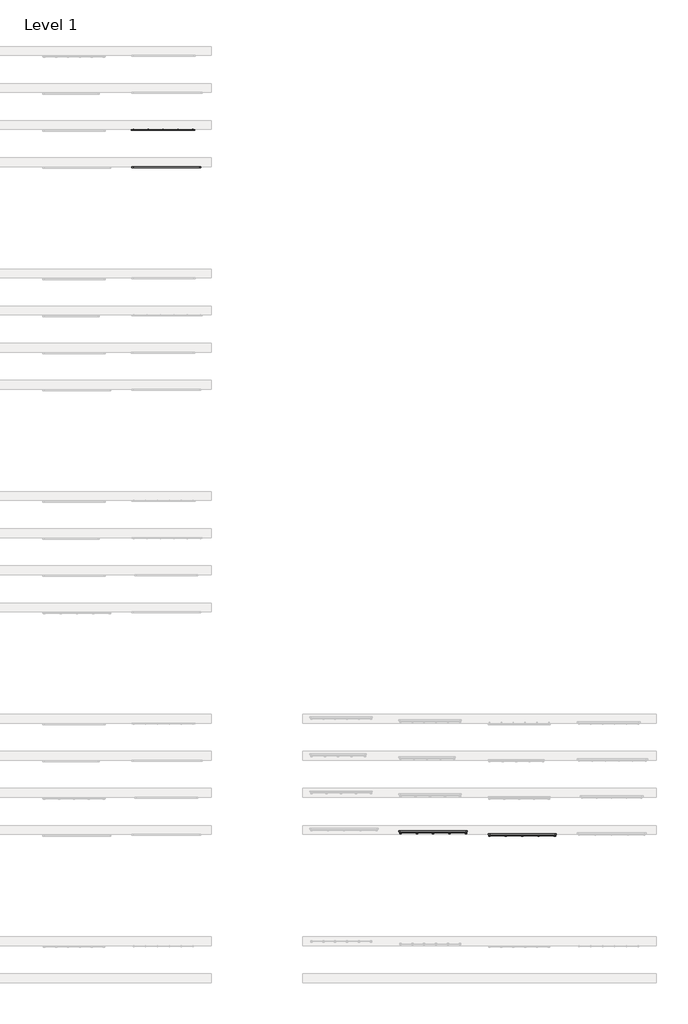
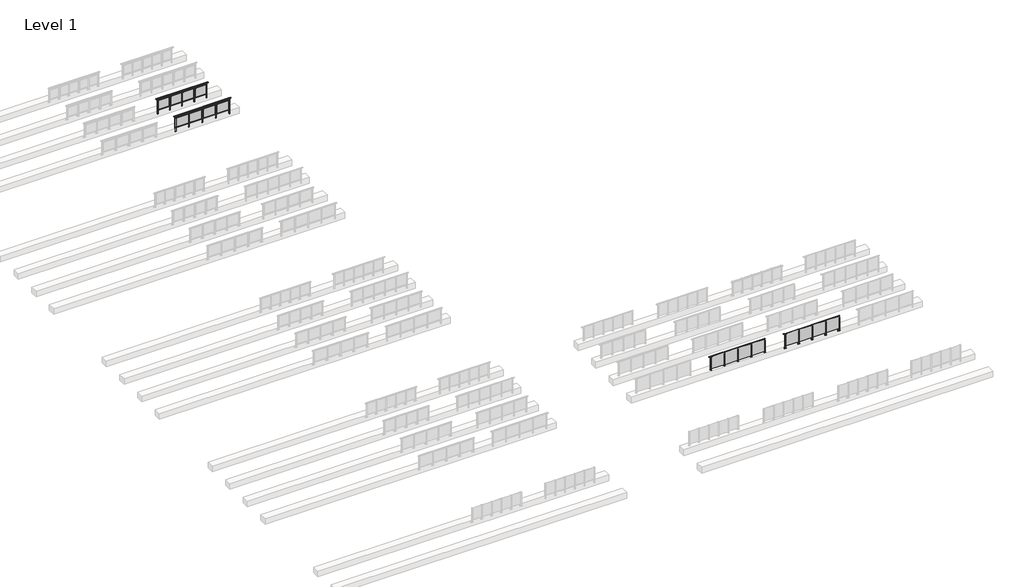
# One storey, part 31 of 37: 4 railings.
"""IFC4 building model written with IfcOpenShell, lengths in millimetres."""

import ifcopenshell
import ifcopenshell.guid

model = None  # the IFC model being written
_history = None  # IfcOwnerHistory: only IFC2X3 demands one
_inside = {}  # id of a spatial element -> (the spatial element, [elements in it])
_under = {}  # id of a project, library or spatial element -> (it, [spatial elements below it])
_declared = {}  # id of a project -> (the project, [libraries it declares])
_typed = {}  # id of a type object -> (the type object, [elements of that type])
_made_of = {}  # id of a material, layer set ... -> (it, [elements and type objects made of it])


def new_model(schema):
    """Start an empty IFC model of exactly this schema.

    Asked for "IFC4X3", IfcOpenShell would pick the latest addendum, in which some entities
    have other attributes; the version numbers below select the first issue.
    IFC2X3 requires an IfcOwnerHistory on every rooted entity: one is made here for all.
    """
    global model, _history
    if schema == "IFC4X3":
        model = ifcopenshell.file(schema_version=(4, 3, 0, 0))
    else:
        model = ifcopenshell.file(schema=schema)
    _inside.clear()
    _under.clear()
    _declared.clear()
    _typed.clear()
    _made_of.clear()
    _history = None
    if model.schema == "IFC2X3":
        org = make("IfcOrganization", Name="unknown")
        user = make(
            "IfcPersonAndOrganization",
            ThePerson=make("IfcPerson", FamilyName="unknown"),
            TheOrganization=org,
        )
        app = make(
            "IfcApplication",
            ApplicationDeveloper=org,
            Version="unknown",
            ApplicationFullName="unknown",
            ApplicationIdentifier="unknown",
        )
        _history = make(
            "IfcOwnerHistory",
            OwningUser=user,
            OwningApplication=app,
            ChangeAction="ADDED",
            CreationDate=0,
        )
    return model


def make(cls, **values):
    """One entity of the class cls with the attributes given. An attribute that is None is left unset."""
    return model.create_entity(
        cls, **{name: value for name, value in values.items() if value is not None}
    )


def rooted(cls, **values):
    """An entity with a GlobalId (a new one), such as an element, a storey or a relation."""
    return make(cls, GlobalId=ifcopenshell.guid.new(), OwnerHistory=_history, **values)


def si_unit(unit_type, name, prefix=None):
    """IfcSIUnit, for example si_unit("LENGTHUNIT", "METRE", prefix="MILLI")."""
    return make("IfcSIUnit", UnitType=unit_type, Prefix=prefix, Name=name)


def assignment(units):
    """IfcUnitAssignment: the units of a project."""
    return None if units is None else make("IfcUnitAssignment", Units=units)


def point(xyz):
    """IfcCartesianPoint."""
    return None if xyz is None else make("IfcCartesianPoint", Coordinates=xyz)


def direction(xyz):
    """IfcDirection."""
    return None if xyz is None else make("IfcDirection", DirectionRatios=xyz)


def frame(location, z_axis=None, x_axis=None):
    """IfcAxis2Placement3D, a coordinate frame: its origin and axes. An axis left out is left unset."""
    return make(
        "IfcAxis2Placement3D",
        Location=point(location),
        Axis=direction(z_axis),
        RefDirection=direction(x_axis),
    )


def frame_2d(location, x_axis=None):
    """IfcAxis2Placement2D, a coordinate frame in the plane: its origin and x axis."""
    return make(
        "IfcAxis2Placement2D", Location=point(location), RefDirection=direction(x_axis)
    )


def origin():
    """The frame at (0, 0, 0) with its axes left unset."""
    return frame((0.0, 0.0, 0.0))


def origin_with_axes():
    """The frame at (0, 0, 0) with the z axis (0, 0, 1) and the x axis (1, 0, 0) written out."""
    return frame((0.0, 0.0, 0.0), z_axis=(0.0, 0.0, 1.0), x_axis=(1.0, 0.0, 0.0))


def place(relative_to, where):
    """IfcLocalPlacement: puts the frame where relative to a parent placement (None: the world)."""
    return make(
        "IfcLocalPlacement", PlacementRelTo=relative_to, RelativePlacement=where
    )


def context(
    kind, dimensions, precision=None, world=None, true_north=None, identifier=None
):
    """IfcGeometricRepresentationContext, for example the 3D "Model" context."""
    return make(
        "IfcGeometricRepresentationContext",
        ContextIdentifier=identifier,
        ContextType=kind,
        CoordinateSpaceDimension=dimensions,
        Precision=precision,
        WorldCoordinateSystem=world,
        TrueNorth=true_north,
    )


def project(units=None, contexts=None):
    """IfcProject with its units and contexts."""
    return rooted(
        "IfcProject",
        Name="project",
        RepresentationContexts=contexts,
        UnitsInContext=assignment(units),
    )


def spatial(cls, under=None, at=None, **own):
    """A site, building, storey or space (cls), placed at a placement, below another one or the project."""
    s = rooted(cls, ObjectPlacement=at, **own)
    if under is not None:
        _under.setdefault(under.id(), (under, []))[1].append(s)
    return s


def polyline(points):
    """IfcPolyline through the points."""
    return make("IfcPolyline", Points=[point(p) for p in points])


def circle_curve(where, radius):
    """IfcCircle in the frame where."""
    return make("IfcCircle", Position=where, Radius=radius)


def trimmed(basis, trim1, trim2, sense, master):
    """IfcTrimmedCurve: the piece of a basis curve between two trims."""
    return make(
        "IfcTrimmedCurve",
        BasisCurve=basis,
        Trim1=trim1,
        Trim2=trim2,
        SenseAgreement=sense,
        MasterRepresentation=master,
    )


def segment(curve, same_sense, transition):
    """IfcCompositeCurveSegment."""
    return make(
        "IfcCompositeCurveSegment",
        Transition=transition,
        SameSense=same_sense,
        ParentCurve=curve,
    )


def composite_curve(segments, self_intersect=None):
    """IfcCompositeCurve: segments joined end to end."""
    return make("IfcCompositeCurve", Segments=segments, SelfIntersect=self_intersect)


def outline(outer, holes=None, kind="AREA"):
    """IfcArbitraryClosedProfileDef: a profile drawn as a closed curve; with holes, ...WithVoids."""
    if holes is None:
        return make("IfcArbitraryClosedProfileDef", ProfileType=kind, OuterCurve=outer)
    return make(
        "IfcArbitraryProfileDefWithVoids",
        ProfileType=kind,
        OuterCurve=outer,
        InnerCurves=holes,
    )


def extrude(swept, where, along, depth):
    """IfcExtrudedAreaSolid: the profile swept, set in the frame where, extruded along a direction by depth."""
    return make(
        "IfcExtrudedAreaSolid",
        SweptArea=swept,
        Position=where,
        ExtrudedDirection=direction(along),
        Depth=depth,
    )


def faces_of(points, faces, orient=None, outer=None):
    """IfcFace entities. A face is a list of loops; a loop is a list of indices into points, from 0.

    orient and outer hold one flag for each loop. By default every Orientation is true, the
    first loop of a face is its IfcFaceOuterBound and the others are IfcFaceBound.
    """
    made = []
    for i, loops in enumerate(faces):
        bounds = []
        for j, loop in enumerate(loops):
            is_outer = j == 0 if outer is None else outer[i][j]
            bounds.append(
                make(
                    "IfcFaceOuterBound" if is_outer else "IfcFaceBound",
                    Bound=make("IfcPolyLoop", Polygon=[points[k] for k in loop]),
                    Orientation=True if orient is None else orient[i][j],
                )
            )
        made.append(make("IfcFace", Bounds=bounds))
    return made


def faceted_brep(points, faces, orient=None, outer=None, voids=None):
    """IfcFacetedBrep: a solid bounded by flat faces; with voids (closed shells), ...WithVoids."""
    shared = [point(p) for p in points]
    hull = make("IfcClosedShell", CfsFaces=faces_of(shared, faces, orient, outer))
    if voids is None:
        return make("IfcFacetedBrep", Outer=hull)
    return make(
        "IfcFacetedBrepWithVoids",
        Outer=hull,
        Voids=[
            make(cls, CfsFaces=faces_of(shared, fs, o, b)) for cls, fs, o, b in voids
        ],
    )


def shape(context_of_items, identifier, shape_type, items):
    """IfcShapeRepresentation: the items that make up one representation, for example the "Body"."""
    return make(
        "IfcShapeRepresentation",
        ContextOfItems=context_of_items,
        RepresentationIdentifier=identifier,
        RepresentationType=shape_type,
        Items=items,
    )


def made_of(thing, what):
    """Note that an element or type object is made of a material, layer set ...; save() writes the relation."""
    if what is not None:
        _made_of.setdefault(what.id(), (what, []))[1].append(thing)
    return thing


def element(
    cls,
    number,
    at=None,
    inside=None,
    cuts=None,
    type_object=None,
    material=None,
    context=None,
    identifier="Body",
    shape_type=None,
    held_by="IfcProductDefinitionShape",
    body=None,
    shapes=None,
    **own,
):
    """One element of the class cls, such as IfcWall. Its Tag is "e" and its number.

    at: its placement. inside: the storey or other place that contains it. cuts: it is an
    opening in that element (IfcRelVoidsElement). A single representation is given by context,
    identifier, shape_type and body (its items); several are given by shapes. held_by: the class
    of the entity that holds the representations. save() writes the other relations.
    """
    e = rooted(cls, Tag="e%d" % number, ObjectPlacement=at, **own)
    if body is not None:
        shapes = [shape(context, identifier, shape_type, body)]
    if shapes is not None:
        e.Representation = make(held_by, Representations=shapes)
    if inside is not None:
        _inside.setdefault(inside.id(), (inside, []))[1].append(e)
    if cuts is not None:
        rooted(
            "IfcRelVoidsElement", RelatingBuildingElement=cuts, RelatedOpeningElement=e
        )
    if type_object is not None:
        _typed.setdefault(type_object.id(), (type_object, []))[1].append(e)
    return made_of(e, material)


def aggregate(whole, parts):
    """IfcRelAggregates: a whole, such as a stair, and the parts it consists of."""
    return rooted("IfcRelAggregates", RelatingObject=whole, RelatedObjects=parts)


def save(model, path):
    """Write the relations noted so far, then the file.

    IfcRelAggregates (storeys below a building ...), IfcRelContainedInSpatialStructure (elements
    in a storey), IfcRelDefinesByType, IfcRelAssociatesMaterial and IfcRelDeclares: one each for
    every whole, place, type object, material and project.
    """
    for whole, parts in _under.values():
        aggregate(whole, parts)
    for where, things in _inside.values():
        rooted(
            "IfcRelContainedInSpatialStructure",
            RelatedElements=things,
            RelatingStructure=where,
        )
    for kind, things in _typed.values():
        rooted("IfcRelDefinesByType", RelatedObjects=things, RelatingType=kind)
    for what, things in _made_of.values():
        rooted("IfcRelAssociatesMaterial", RelatedObjects=things, RelatingMaterial=what)
    for by, libraries in _declared.values():
        rooted("IfcRelDeclares", RelatingContext=by, RelatedDefinitions=libraries)
    model.write(path)


model = new_model("IFC4")

# Units and contexts
model_context = context("Model", 3, world=origin())
ifc_project = project(units=[si_unit("LENGTHUNIT", "METRE", prefix="MILLI")], contexts=[model_context])

# Site, building, storey
site = spatial("IfcSite", under=ifc_project)
building = spatial("IfcBuilding", under=site)
storey = spatial("IfcBuildingStorey", under=building, Name="Level 1", Elevation=0.0)

# Railings
placement = place(None, origin())
element("IfcRailing", 1, at=placement, inside=storey, context=model_context, shape_type="SolidModel", body=[
    faceted_brep([(48027.0, 59897.6846828, 1055.0), (48027.0, 59897.6846828, 1100.0), (52427.0, 59897.6846828, 1100.0), (52427.0, 59897.6846828, 1055.0), (48027.0, 59837.6846828, 1055.0), (52427.0, 59837.6846828, 1055.0), (48027.0, 59837.6846828, 1100.0), (52427.0, 59837.6846828, 1100.0), (47899.5, 59897.6846828, 1100.0), (47899.5, 59897.6846828, 1055.0), (47899.5, 59837.6846828, 1055.0), (47899.5, 59837.6846828, 1100.0), (52554.5, 59897.6846828, 1100.0), (52554.5, 59837.6846828, 1100.0), (52554.5, 59837.6846828, 1055.0), (52554.5, 59897.6846828, 1055.0)], [[[0, 1, 2, 3]], [[4, 0, 3, 5]], [[6, 4, 5, 7]], [[1, 6, 7, 2]], [[8, 9, 10, 11]], [[9, 8, 1, 0]], [[10, 9, 0, 4]], [[11, 10, 4, 6]], [[8, 11, 6, 1]], [[12, 13, 14, 15]], [[3, 2, 12, 15]], [[5, 3, 15, 14]], [[7, 5, 14, 13]], [[2, 7, 13, 12]]]),
    extrude(outline(polyline([(48027.0, 59850.1846828), (48027.0, 59885.1846828), (52427.0, 59885.1846828), (52427.0, 59850.1846828), (48027.0, 59850.1846828)])), frame((0.0, 0.0, 930.0), z_axis=(0.0, 0.0, 1.0), x_axis=(1.0, 0.0, 0.0)), (0.0, 0.0, 1.0), 30.0),
    extrude(outline(polyline([(48027.0, 59850.1846828), (48027.0, 59885.1846828), (52427.0, 59885.1846828), (52427.0, 59850.1846828), (48027.0, 59850.1846828)])), frame((0.0, 0.0, 95.0), z_axis=(0.0, 0.0, 1.0), x_axis=(1.0, 0.0, 0.0)), (0.0, 0.0, 1.0), 30.0),
    extrude(outline(polyline([(51399.5, 59865.9094929), (51399.5, 59871.9094929), (52354.5, 59871.9094929), (52354.5, 59865.9094929), (51399.5, 59865.9094929)])), frame((0.0, 0.0, 125.0), z_axis=(0.0, 0.0, 1.0), x_axis=(1.0, 0.0, 0.0)), (0.0, 0.0, 1.0), 805.0),
    extrude(outline(polyline([(51349.5, 59900.1846828), (51349.5, 59835.1846828), (51304.5, 59835.1846828), (51304.5, 59900.1846828), (51349.5, 59900.1846828)])), frame((0.0, 0.0, 1027.0), z_axis=(0.0, 0.0, 1.0), x_axis=(1.0, 0.0, 0.0)), (0.0, 0.0, 1.0), 8.0),
    extrude(outline(polyline([(51349.5, 59900.1846828), (51349.5, 59835.1846828), (51304.5, 59835.1846828), (51304.5, 59900.1846828), (51349.5, 59900.1846828)])), frame((0.0, 0.0, -212.0), z_axis=(0.0, 0.0, 1.0), x_axis=(1.0, 0.0, 0.0)), (0.0, 0.0, 1.0), 1239.0),
    extrude(outline(polyline([(51337.0, 59877.6846828), (51337.0, 59857.6846828), (51317.0, 59857.6846828), (51317.0, 59877.6846828), (51337.0, 59877.6846828)])), frame((0.0, 0.0, 1035.0), z_axis=(0.0, 0.0, 1.0), x_axis=(1.0, 0.0, 0.0)), (0.0, 0.0, 1.0), 20.0),
    extrude(outline(polyline([(51349.5, 59900.1846828), (51349.5, 59835.1846828), (51304.5, 59835.1846828), (51304.5, 59900.1846828), (51349.5, 59900.1846828)])), frame((0.0, 0.0, -220.0), z_axis=(0.0, 0.0, 1.0), x_axis=(1.0, 0.0, 0.0)), (0.0, 0.0, 1.0), 8.0),
    extrude(outline(polyline([(50299.5, 59865.9094929), (50299.5, 59871.9094929), (51254.5, 59871.9094929), (51254.5, 59865.9094929), (50299.5, 59865.9094929)])), frame((0.0, 0.0, 125.0), z_axis=(0.0, 0.0, 1.0), x_axis=(1.0, 0.0, 0.0)), (0.0, 0.0, 1.0), 805.0),
    extrude(outline(polyline([(50249.5, 59900.1846828), (50249.5, 59835.1846828), (50204.5, 59835.1846828), (50204.5, 59900.1846828), (50249.5, 59900.1846828)])), frame((0.0, 0.0, 1027.0), z_axis=(0.0, 0.0, 1.0), x_axis=(1.0, 0.0, 0.0)), (0.0, 0.0, 1.0), 8.0),
    extrude(outline(polyline([(50249.5, 59900.1846828), (50249.5, 59835.1846828), (50204.5, 59835.1846828), (50204.5, 59900.1846828), (50249.5, 59900.1846828)])), frame((0.0, 0.0, -212.0), z_axis=(0.0, 0.0, 1.0), x_axis=(1.0, 0.0, 0.0)), (0.0, 0.0, 1.0), 1239.0),
    extrude(outline(polyline([(50237.0, 59877.6846828), (50237.0, 59857.6846828), (50217.0, 59857.6846828), (50217.0, 59877.6846828), (50237.0, 59877.6846828)])), frame((0.0, 0.0, 1035.0), z_axis=(0.0, 0.0, 1.0), x_axis=(1.0, 0.0, 0.0)), (0.0, 0.0, 1.0), 20.0),
    extrude(outline(polyline([(50249.5, 59900.1846828), (50249.5, 59835.1846828), (50204.5, 59835.1846828), (50204.5, 59900.1846828), (50249.5, 59900.1846828)])), frame((0.0, 0.0, -220.0), z_axis=(0.0, 0.0, 1.0), x_axis=(1.0, 0.0, 0.0)), (0.0, 0.0, 1.0), 8.0),
    extrude(outline(polyline([(49199.5, 59865.9094929), (49199.5, 59871.9094929), (50154.5, 59871.9094929), (50154.5, 59865.9094929), (49199.5, 59865.9094929)])), frame((0.0, 0.0, 125.0), z_axis=(0.0, 0.0, 1.0), x_axis=(1.0, 0.0, 0.0)), (0.0, 0.0, 1.0), 805.0),
    extrude(outline(polyline([(49149.5, 59900.1846828), (49149.5, 59835.1846828), (49104.5, 59835.1846828), (49104.5, 59900.1846828), (49149.5, 59900.1846828)])), frame((0.0, 0.0, 1027.0), z_axis=(0.0, 0.0, 1.0), x_axis=(1.0, 0.0, 0.0)), (0.0, 0.0, 1.0), 8.0),
    extrude(outline(polyline([(49149.5, 59900.1846828), (49149.5, 59835.1846828), (49104.5, 59835.1846828), (49104.5, 59900.1846828), (49149.5, 59900.1846828)])), frame((0.0, 0.0, -212.0), z_axis=(0.0, 0.0, 1.0), x_axis=(1.0, 0.0, 0.0)), (0.0, 0.0, 1.0), 1239.0),
    extrude(outline(polyline([(49137.0, 59877.6846828), (49137.0, 59857.6846828), (49117.0, 59857.6846828), (49117.0, 59877.6846828), (49137.0, 59877.6846828)])), frame((0.0, 0.0, 1035.0), z_axis=(0.0, 0.0, 1.0), x_axis=(1.0, 0.0, 0.0)), (0.0, 0.0, 1.0), 20.0),
    extrude(outline(polyline([(49149.5, 59900.1846828), (49149.5, 59835.1846828), (49104.5, 59835.1846828), (49104.5, 59900.1846828), (49149.5, 59900.1846828)])), frame((0.0, 0.0, -220.0), z_axis=(0.0, 0.0, 1.0), x_axis=(1.0, 0.0, 0.0)), (0.0, 0.0, 1.0), 8.0),
    extrude(outline(polyline([(48099.5, 59865.9094929), (48099.5, 59871.9094929), (49054.5, 59871.9094929), (49054.5, 59865.9094929), (48099.5, 59865.9094929)])), frame((0.0, 0.0, 125.0), z_axis=(0.0, 0.0, 1.0), x_axis=(1.0, 0.0, 0.0)), (0.0, 0.0, 1.0), 805.0),
    extrude(outline(polyline([(52449.5, 59900.1846828), (52449.5, 59835.1846828), (52404.5, 59835.1846828), (52404.5, 59900.1846828), (52449.5, 59900.1846828)])), frame((0.0, 0.0, 1027.0), z_axis=(0.0, 0.0, 1.0), x_axis=(1.0, 0.0, 0.0)), (0.0, 0.0, 1.0), 8.0),
    extrude(outline(polyline([(52449.5, 59900.1846828), (52449.5, 59835.1846828), (52404.5, 59835.1846828), (52404.5, 59900.1846828), (52449.5, 59900.1846828)])), frame((0.0, 0.0, -212.0), z_axis=(0.0, 0.0, 1.0), x_axis=(1.0, 0.0, 0.0)), (0.0, 0.0, 1.0), 1239.0),
    extrude(outline(polyline([(52437.0, 59877.6846828), (52437.0, 59857.6846828), (52417.0, 59857.6846828), (52417.0, 59877.6846828), (52437.0, 59877.6846828)])), frame((0.0, 0.0, 1035.0), z_axis=(0.0, 0.0, 1.0), x_axis=(1.0, 0.0, 0.0)), (0.0, 0.0, 1.0), 20.0),
    extrude(outline(polyline([(52449.5, 59900.1846828), (52449.5, 59835.1846828), (52404.5, 59835.1846828), (52404.5, 59900.1846828), (52449.5, 59900.1846828)])), frame((0.0, 0.0, -220.0), z_axis=(0.0, 0.0, 1.0), x_axis=(1.0, 0.0, 0.0)), (0.0, 0.0, 1.0), 8.0),
    extrude(outline(polyline([(48049.5, 59900.1846828), (48049.5, 59835.1846828), (48004.5, 59835.1846828), (48004.5, 59900.1846828), (48049.5, 59900.1846828)])), frame((0.0, 0.0, 1027.0), z_axis=(0.0, 0.0, 1.0), x_axis=(1.0, 0.0, 0.0)), (0.0, 0.0, 1.0), 8.0),
    extrude(outline(polyline([(48049.5, 59900.1846828), (48049.5, 59835.1846828), (48004.5, 59835.1846828), (48004.5, 59900.1846828), (48049.5, 59900.1846828)])), frame((0.0, 0.0, -212.0), z_axis=(0.0, 0.0, 1.0), x_axis=(1.0, 0.0, 0.0)), (0.0, 0.0, 1.0), 1239.0),
    extrude(outline(polyline([(48037.0, 59877.6846828), (48037.0, 59857.6846828), (48017.0, 59857.6846828), (48017.0, 59877.6846828), (48037.0, 59877.6846828)])), frame((0.0, 0.0, 1035.0), z_axis=(0.0, 0.0, 1.0), x_axis=(1.0, 0.0, 0.0)), (0.0, 0.0, 1.0), 20.0),
    extrude(outline(polyline([(48049.5, 59900.1846828), (48049.5, 59835.1846828), (48004.5, 59835.1846828), (48004.5, 59900.1846828), (48049.5, 59900.1846828)])), frame((0.0, 0.0, -220.0), z_axis=(0.0, 0.0, 1.0), x_axis=(1.0, 0.0, 0.0)), (0.0, 0.0, 1.0), 8.0),
])
element("IfcRailing", 2, at=placement, inside=storey, context=model_context, shape_type="SolidModel", body=[
    faceted_brep([(48000.0, 62397.6846828, 1055.0), (48000.0, 62397.6846828, 1100.0), (52000.0, 62397.6846828, 1100.0), (52000.0, 62397.6846828, 1055.0), (48000.0, 62337.6846828, 1055.0), (52000.0, 62337.6846828, 1055.0), (48000.0, 62337.6846828, 1100.0), (52000.0, 62337.6846828, 1100.0), (47872.5, 62397.6846828, 1100.0), (47872.5, 62397.6846828, 1055.0), (47872.5, 62337.6846828, 1055.0), (47872.5, 62337.6846828, 1100.0), (52127.5, 62397.6846828, 1100.0), (52127.5, 62337.6846828, 1100.0), (52127.5, 62337.6846828, 1055.0), (52127.5, 62397.6846828, 1055.0)], [[[0, 1, 2, 3]], [[4, 0, 3, 5]], [[6, 4, 5, 7]], [[1, 6, 7, 2]], [[8, 9, 10, 11]], [[9, 8, 1, 0]], [[10, 9, 0, 4]], [[11, 10, 4, 6]], [[8, 11, 6, 1]], [[12, 13, 14, 15]], [[3, 2, 12, 15]], [[5, 3, 15, 14]], [[7, 5, 14, 13]], [[2, 7, 13, 12]]]),
    extrude(outline(polyline([(48000.0, 62350.1846828), (48000.0, 62385.1846828), (52000.0, 62385.1846828), (52000.0, 62350.1846828), (48000.0, 62350.1846828)])), frame((0.0, 0.0, 930.0), z_axis=(0.0, 0.0, 1.0), x_axis=(1.0, 0.0, 0.0)), (0.0, 0.0, 1.0), 30.0),
    extrude(outline(polyline([(48000.0, 62350.1846828), (48000.0, 62385.1846828), (52000.0, 62385.1846828), (52000.0, 62350.1846828), (48000.0, 62350.1846828)])), frame((0.0, 0.0, 95.0), z_axis=(0.0, 0.0, 1.0), x_axis=(1.0, 0.0, 0.0)), (0.0, 0.0, 1.0), 30.0),
    extrude(outline(polyline([(51072.5, 62365.9094929), (51072.5, 62371.9094929), (51927.5, 62371.9094929), (51927.5, 62365.9094929), (51072.5, 62365.9094929)])), frame((0.0, 0.0, 125.0), z_axis=(0.0, 0.0, 1.0), x_axis=(1.0, 0.0, 0.0)), (0.0, 0.0, 1.0), 805.0),
    extrude(outline(polyline([(51022.5, 62400.1846828), (51022.5, 62335.1846828), (50977.5, 62335.1846828), (50977.5, 62400.1846828), (51022.5, 62400.1846828)])), frame((0.0, 0.0, 1027.0), z_axis=(0.0, 0.0, 1.0), x_axis=(1.0, 0.0, 0.0)), (0.0, 0.0, 1.0), 8.0),
    extrude(outline(polyline([(51022.5, 62400.1846828), (51022.5, 62335.1846828), (50977.5, 62335.1846828), (50977.5, 62400.1846828), (51022.5, 62400.1846828)])), frame((0.0, 0.0, -212.0), z_axis=(0.0, 0.0, 1.0), x_axis=(1.0, 0.0, 0.0)), (0.0, 0.0, 1.0), 1239.0),
    extrude(outline(polyline([(51010.0, 62377.6846828), (51010.0, 62357.6846828), (50990.0, 62357.6846828), (50990.0, 62377.6846828), (51010.0, 62377.6846828)])), frame((0.0, 0.0, 1035.0), z_axis=(0.0, 0.0, 1.0), x_axis=(1.0, 0.0, 0.0)), (0.0, 0.0, 1.0), 20.0),
    extrude(outline(polyline([(51022.5, 62400.1846828), (51022.5, 62335.1846828), (50977.5, 62335.1846828), (50977.5, 62400.1846828), (51022.5, 62400.1846828)])), frame((0.0, 0.0, -220.0), z_axis=(0.0, 0.0, 1.0), x_axis=(1.0, 0.0, 0.0)), (0.0, 0.0, 1.0), 8.0),
    extrude(outline(polyline([(50072.5, 62365.9094929), (50072.5, 62371.9094929), (50927.5, 62371.9094929), (50927.5, 62365.9094929), (50072.5, 62365.9094929)])), frame((0.0, 0.0, 125.0), z_axis=(0.0, 0.0, 1.0), x_axis=(1.0, 0.0, 0.0)), (0.0, 0.0, 1.0), 805.0),
    extrude(outline(polyline([(50022.5, 62400.1846828), (50022.5, 62335.1846828), (49977.5, 62335.1846828), (49977.5, 62400.1846828), (50022.5, 62400.1846828)])), frame((0.0, 0.0, 1027.0), z_axis=(0.0, 0.0, 1.0), x_axis=(1.0, 0.0, 0.0)), (0.0, 0.0, 1.0), 8.0),
    extrude(outline(polyline([(50022.5, 62400.1846828), (50022.5, 62335.1846828), (49977.5, 62335.1846828), (49977.5, 62400.1846828), (50022.5, 62400.1846828)])), frame((0.0, 0.0, -212.0), z_axis=(0.0, 0.0, 1.0), x_axis=(1.0, 0.0, 0.0)), (0.0, 0.0, 1.0), 1239.0),
    extrude(outline(polyline([(50010.0, 62377.6846828), (50010.0, 62357.6846828), (49990.0, 62357.6846828), (49990.0, 62377.6846828), (50010.0, 62377.6846828)])), frame((0.0, 0.0, 1035.0), z_axis=(0.0, 0.0, 1.0), x_axis=(1.0, 0.0, 0.0)), (0.0, 0.0, 1.0), 20.0),
    extrude(outline(polyline([(50022.5, 62400.1846828), (50022.5, 62335.1846828), (49977.5, 62335.1846828), (49977.5, 62400.1846828), (50022.5, 62400.1846828)])), frame((0.0, 0.0, -220.0), z_axis=(0.0, 0.0, 1.0), x_axis=(1.0, 0.0, 0.0)), (0.0, 0.0, 1.0), 8.0),
    extrude(outline(polyline([(49072.5, 62365.9094929), (49072.5, 62371.9094929), (49927.5, 62371.9094929), (49927.5, 62365.9094929), (49072.5, 62365.9094929)])), frame((0.0, 0.0, 125.0), z_axis=(0.0, 0.0, 1.0), x_axis=(1.0, 0.0, 0.0)), (0.0, 0.0, 1.0), 805.0),
    extrude(outline(polyline([(49022.5, 62400.1846828), (49022.5, 62335.1846828), (48977.5, 62335.1846828), (48977.5, 62400.1846828), (49022.5, 62400.1846828)])), frame((0.0, 0.0, 1027.0), z_axis=(0.0, 0.0, 1.0), x_axis=(1.0, 0.0, 0.0)), (0.0, 0.0, 1.0), 8.0),
    extrude(outline(polyline([(49022.5, 62400.1846828), (49022.5, 62335.1846828), (48977.5, 62335.1846828), (48977.5, 62400.1846828), (49022.5, 62400.1846828)])), frame((0.0, 0.0, -212.0), z_axis=(0.0, 0.0, 1.0), x_axis=(1.0, 0.0, 0.0)), (0.0, 0.0, 1.0), 1239.0),
    extrude(outline(polyline([(49010.0, 62377.6846828), (49010.0, 62357.6846828), (48990.0, 62357.6846828), (48990.0, 62377.6846828), (49010.0, 62377.6846828)])), frame((0.0, 0.0, 1035.0), z_axis=(0.0, 0.0, 1.0), x_axis=(1.0, 0.0, 0.0)), (0.0, 0.0, 1.0), 20.0),
    extrude(outline(polyline([(49022.5, 62400.1846828), (49022.5, 62335.1846828), (48977.5, 62335.1846828), (48977.5, 62400.1846828), (49022.5, 62400.1846828)])), frame((0.0, 0.0, -220.0), z_axis=(0.0, 0.0, 1.0), x_axis=(1.0, 0.0, 0.0)), (0.0, 0.0, 1.0), 8.0),
    extrude(outline(polyline([(48072.5, 62365.9094929), (48072.5, 62371.9094929), (48927.5, 62371.9094929), (48927.5, 62365.9094929), (48072.5, 62365.9094929)])), frame((0.0, 0.0, 125.0), z_axis=(0.0, 0.0, 1.0), x_axis=(1.0, 0.0, 0.0)), (0.0, 0.0, 1.0), 805.0),
    extrude(outline(polyline([(52022.5, 62400.1846828), (52022.5, 62335.1846828), (51977.5, 62335.1846828), (51977.5, 62400.1846828), (52022.5, 62400.1846828)])), frame((0.0, 0.0, 1027.0), z_axis=(0.0, 0.0, 1.0), x_axis=(1.0, 0.0, 0.0)), (0.0, 0.0, 1.0), 8.0),
    extrude(outline(polyline([(52022.5, 62400.1846828), (52022.5, 62335.1846828), (51977.5, 62335.1846828), (51977.5, 62400.1846828), (52022.5, 62400.1846828)])), frame((0.0, 0.0, -212.0), z_axis=(0.0, 0.0, 1.0), x_axis=(1.0, 0.0, 0.0)), (0.0, 0.0, 1.0), 1239.0),
    extrude(outline(polyline([(52010.0, 62377.6846828), (52010.0, 62357.6846828), (51990.0, 62357.6846828), (51990.0, 62377.6846828), (52010.0, 62377.6846828)])), frame((0.0, 0.0, 1035.0), z_axis=(0.0, 0.0, 1.0), x_axis=(1.0, 0.0, 0.0)), (0.0, 0.0, 1.0), 20.0),
    extrude(outline(polyline([(52022.5, 62400.1846828), (52022.5, 62335.1846828), (51977.5, 62335.1846828), (51977.5, 62400.1846828), (52022.5, 62400.1846828)])), frame((0.0, 0.0, -220.0), z_axis=(0.0, 0.0, 1.0), x_axis=(1.0, 0.0, 0.0)), (0.0, 0.0, 1.0), 8.0),
    extrude(outline(polyline([(48022.5, 62400.1846828), (48022.5, 62335.1846828), (47977.5, 62335.1846828), (47977.5, 62400.1846828), (48022.5, 62400.1846828)])), frame((0.0, 0.0, 1027.0), z_axis=(0.0, 0.0, 1.0), x_axis=(1.0, 0.0, 0.0)), (0.0, 0.0, 1.0), 8.0),
    extrude(outline(polyline([(48022.5, 62400.1846828), (48022.5, 62335.1846828), (47977.5, 62335.1846828), (47977.5, 62400.1846828), (48022.5, 62400.1846828)])), frame((0.0, 0.0, -212.0), z_axis=(0.0, 0.0, 1.0), x_axis=(1.0, 0.0, 0.0)), (0.0, 0.0, 1.0), 1239.0),
    extrude(outline(polyline([(48010.0, 62377.6846828), (48010.0, 62357.6846828), (47990.0, 62357.6846828), (47990.0, 62377.6846828), (48010.0, 62377.6846828)])), frame((0.0, 0.0, 1035.0), z_axis=(0.0, 0.0, 1.0), x_axis=(1.0, 0.0, 0.0)), (0.0, 0.0, 1.0), 20.0),
    extrude(outline(polyline([(48022.5, 62400.1846828), (48022.5, 62335.1846828), (47977.5, 62335.1846828), (47977.5, 62400.1846828), (48022.5, 62400.1846828)])), frame((0.0, 0.0, -220.0), z_axis=(0.0, 0.0, 1.0), x_axis=(1.0, 0.0, 0.0)), (0.0, 0.0, 1.0), 8.0),
])
element("IfcRailing", 3, at=placement, inside=storey, context=model_context, shape_type="SolidModel", body=[
    faceted_brep([(66000.0, 15125.6846828, 1085.0), (66000.0, 15125.6846828, 1100.0), (70400.0, 15125.6846828, 1100.0), (70400.0, 15125.6846828, 1085.0), (66000.0, 15065.6846828, 1085.0), (70400.0, 15065.6846828, 1085.0), (66000.0, 15065.6846828, 1100.0), (70400.0, 15065.6846828, 1100.0), (65900.0, 15125.6846828, 1100.0), (65900.0, 15125.6846828, 1085.0), (65900.0, 15065.6846828, 1085.0), (65900.0, 15065.6846828, 1100.0), (70500.0, 15125.6846828, 1100.0), (70500.0, 15065.6846828, 1100.0), (70500.0, 15065.6846828, 1085.0), (70500.0, 15125.6846828, 1085.0)], [[[0, 1, 2, 3]], [[4, 0, 3, 5]], [[6, 4, 5, 7]], [[1, 6, 7, 2]], [[8, 9, 10, 11]], [[9, 8, 1, 0]], [[10, 9, 0, 4]], [[11, 10, 4, 6]], [[8, 11, 6, 1]], [[12, 13, 14, 15]], [[3, 2, 12, 15]], [[5, 3, 15, 14]], [[7, 5, 14, 13]], [[2, 7, 13, 12]]]),
    extrude(outline(polyline([(69310.0, 14994.4094929), (69310.0, 15004.4094929), (70390.0, 15004.4094929), (70390.0, 14994.4094929), (69310.0, 14994.4094929)])), frame((0.0, 0.0, 95.0), z_axis=(0.0, 0.0, 1.0), x_axis=(1.0, 0.0, 0.0)), (0.0, 0.0, 1.0), 1055.0),
    extrude(outline(composite_curve([segment(polyline([(15120.6846828, 1085.0), (15120.6846828, 1060.900037)]), True, "CONTINUOUS"), segment(trimmed(circle_curve(frame_2d((15110.6846828, 1060.900037)), 10.0), [point((15120.6846828, 1060.900037))], [point((15113.2728733, 1051.2407787))], False, "CARTESIAN"), True, "CONTINUOUS"), segment(polyline([(15113.2728733, 1051.2407787), (15056.2244733, 1035.9547061)]), True, "CONTINUOUS"), segment(trimmed(circle_curve(frame_2d((15058.8126638, 1026.2954478)), 10.0), [point((15056.2244733, 1035.9547061))], [point((15048.8982152, 1027.6007097))], True, "CARTESIAN"), True, "CONTINUOUS"), segment(polyline([(15048.8982152, 1027.6007097), (15044.291393, 992.6084214)]), True, "CONTINUOUS"), segment(trimmed(circle_curve(frame_2d((15041.3170584, 993.0)), 3.0), [point((15044.291393, 992.6084214))], [point((15041.3170584, 990.0))], False, "CARTESIAN"), True, "CONTINUOUS"), segment(polyline([(15041.3170584, 990.0), (15032.6846828, 990.0), (15032.6846828, 1040.0), (15096.6846828, 1057.1487483), (15096.6846828, 1085.0), (15120.6846828, 1085.0)]), True, "CONTINUOUS")], self_intersect=False)), frame((69287.5, 0.0, 0.0), z_axis=(1.0, 0.0, 0.0), x_axis=(0.0, 1.0, 0.0)), (0.0, 0.0, 1.0), 25.0),
    extrude(outline(polyline([(69322.5, 15032.6846828), (69322.5, 14967.6846828), (69277.5, 14967.6846828), (69277.5, 15032.6846828), (69322.5, 15032.6846828)])), frame((0.0, 0.0, 1040.0), z_axis=(0.0, 0.0, 1.0), x_axis=(1.0, 0.0, 0.0)), (0.0, 0.0, 1.0), 5.0),
    extrude(outline(polyline([(69350.0, 15050.1846828), (69350.0, 14950.1846828), (69250.0, 14950.1846828), (69250.0, 15050.1846828), (69350.0, 15050.1846828)])), origin_with_axes(), (0.0, 0.0, 1.0), 12.0),
    extrude(outline(polyline([(69322.5, 15032.6846828), (69322.5, 14967.6846828), (69277.5, 14967.6846828), (69277.5, 15032.6846828), (69322.5, 15032.6846828)])), frame((0.0, 0.0, 12.0), z_axis=(0.0, 0.0, 1.0), x_axis=(1.0, 0.0, 0.0)), (0.0, 0.0, 1.0), 1028.0),
    extrude(outline(polyline([(68210.0, 14994.4094929), (68210.0, 15004.4094929), (69290.0, 15004.4094929), (69290.0, 14994.4094929), (68210.0, 14994.4094929)])), frame((0.0, 0.0, 95.0), z_axis=(0.0, 0.0, 1.0), x_axis=(1.0, 0.0, 0.0)), (0.0, 0.0, 1.0), 1055.0),
    extrude(outline(composite_curve([segment(polyline([(15120.6846828, 1085.0), (15120.6846828, 1060.900037)]), True, "CONTINUOUS"), segment(trimmed(circle_curve(frame_2d((15110.6846828, 1060.900037)), 10.0), [point((15120.6846828, 1060.900037))], [point((15113.2728733, 1051.2407787))], False, "CARTESIAN"), True, "CONTINUOUS"), segment(polyline([(15113.2728733, 1051.2407787), (15056.2244733, 1035.9547061)]), True, "CONTINUOUS"), segment(trimmed(circle_curve(frame_2d((15058.8126638, 1026.2954478)), 10.0), [point((15056.2244733, 1035.9547061))], [point((15048.8982152, 1027.6007097))], True, "CARTESIAN"), True, "CONTINUOUS"), segment(polyline([(15048.8982152, 1027.6007097), (15044.291393, 992.6084214)]), True, "CONTINUOUS"), segment(trimmed(circle_curve(frame_2d((15041.3170584, 993.0)), 3.0), [point((15044.291393, 992.6084214))], [point((15041.3170584, 990.0))], False, "CARTESIAN"), True, "CONTINUOUS"), segment(polyline([(15041.3170584, 990.0), (15032.6846828, 990.0), (15032.6846828, 1040.0), (15096.6846828, 1057.1487483), (15096.6846828, 1085.0), (15120.6846828, 1085.0)]), True, "CONTINUOUS")], self_intersect=False)), frame((68187.5, 0.0, 0.0), z_axis=(1.0, 0.0, 0.0), x_axis=(0.0, 1.0, 0.0)), (0.0, 0.0, 1.0), 25.0),
    extrude(outline(polyline([(68222.5, 15032.6846828), (68222.5, 14967.6846828), (68177.5, 14967.6846828), (68177.5, 15032.6846828), (68222.5, 15032.6846828)])), frame((0.0, 0.0, 1040.0), z_axis=(0.0, 0.0, 1.0), x_axis=(1.0, 0.0, 0.0)), (0.0, 0.0, 1.0), 5.0),
    extrude(outline(polyline([(68250.0, 15050.1846828), (68250.0, 14950.1846828), (68150.0, 14950.1846828), (68150.0, 15050.1846828), (68250.0, 15050.1846828)])), origin_with_axes(), (0.0, 0.0, 1.0), 12.0),
    extrude(outline(polyline([(68222.5, 15032.6846828), (68222.5, 14967.6846828), (68177.5, 14967.6846828), (68177.5, 15032.6846828), (68222.5, 15032.6846828)])), frame((0.0, 0.0, 12.0), z_axis=(0.0, 0.0, 1.0), x_axis=(1.0, 0.0, 0.0)), (0.0, 0.0, 1.0), 1028.0),
    extrude(outline(polyline([(67110.0, 14994.4094929), (67110.0, 15004.4094929), (68190.0, 15004.4094929), (68190.0, 14994.4094929), (67110.0, 14994.4094929)])), frame((0.0, 0.0, 95.0), z_axis=(0.0, 0.0, 1.0), x_axis=(1.0, 0.0, 0.0)), (0.0, 0.0, 1.0), 1055.0),
    extrude(outline(composite_curve([segment(polyline([(15120.6846828, 1085.0), (15120.6846828, 1060.900037)]), True, "CONTINUOUS"), segment(trimmed(circle_curve(frame_2d((15110.6846828, 1060.900037)), 10.0), [point((15120.6846828, 1060.900037))], [point((15113.2728733, 1051.2407787))], False, "CARTESIAN"), True, "CONTINUOUS"), segment(polyline([(15113.2728733, 1051.2407787), (15056.2244733, 1035.9547061)]), True, "CONTINUOUS"), segment(trimmed(circle_curve(frame_2d((15058.8126638, 1026.2954478)), 10.0), [point((15056.2244733, 1035.9547061))], [point((15048.8982152, 1027.6007097))], True, "CARTESIAN"), True, "CONTINUOUS"), segment(polyline([(15048.8982152, 1027.6007097), (15044.291393, 992.6084214)]), True, "CONTINUOUS"), segment(trimmed(circle_curve(frame_2d((15041.3170584, 993.0)), 3.0), [point((15044.291393, 992.6084214))], [point((15041.3170584, 990.0))], False, "CARTESIAN"), True, "CONTINUOUS"), segment(polyline([(15041.3170584, 990.0), (15032.6846828, 990.0), (15032.6846828, 1040.0), (15096.6846828, 1057.1487483), (15096.6846828, 1085.0), (15120.6846828, 1085.0)]), True, "CONTINUOUS")], self_intersect=False)), frame((67087.5, 0.0, 0.0), z_axis=(1.0, 0.0, 0.0), x_axis=(0.0, 1.0, 0.0)), (0.0, 0.0, 1.0), 25.0),
    extrude(outline(polyline([(67122.5, 15032.6846828), (67122.5, 14967.6846828), (67077.5, 14967.6846828), (67077.5, 15032.6846828), (67122.5, 15032.6846828)])), frame((0.0, 0.0, 1040.0), z_axis=(0.0, 0.0, 1.0), x_axis=(1.0, 0.0, 0.0)), (0.0, 0.0, 1.0), 5.0),
    extrude(outline(polyline([(67150.0, 15050.1846828), (67150.0, 14950.1846828), (67050.0, 14950.1846828), (67050.0, 15050.1846828), (67150.0, 15050.1846828)])), origin_with_axes(), (0.0, 0.0, 1.0), 12.0),
    extrude(outline(polyline([(67122.5, 15032.6846828), (67122.5, 14967.6846828), (67077.5, 14967.6846828), (67077.5, 15032.6846828), (67122.5, 15032.6846828)])), frame((0.0, 0.0, 12.0), z_axis=(0.0, 0.0, 1.0), x_axis=(1.0, 0.0, 0.0)), (0.0, 0.0, 1.0), 1028.0),
    extrude(outline(polyline([(66010.0, 14994.4094929), (66010.0, 15004.4094929), (67090.0, 15004.4094929), (67090.0, 14994.4094929), (66010.0, 14994.4094929)])), frame((0.0, 0.0, 95.0), z_axis=(0.0, 0.0, 1.0), x_axis=(1.0, 0.0, 0.0)), (0.0, 0.0, 1.0), 1055.0),
    extrude(outline(composite_curve([segment(polyline([(15120.6846828, 1085.0), (15120.6846828, 1060.900037)]), True, "CONTINUOUS"), segment(trimmed(circle_curve(frame_2d((15110.6846828, 1060.900037)), 10.0), [point((15120.6846828, 1060.900037))], [point((15113.2728733, 1051.2407787))], False, "CARTESIAN"), True, "CONTINUOUS"), segment(polyline([(15113.2728733, 1051.2407787), (15056.2244733, 1035.9547061)]), True, "CONTINUOUS"), segment(trimmed(circle_curve(frame_2d((15058.8126638, 1026.2954478)), 10.0), [point((15056.2244733, 1035.9547061))], [point((15048.8982152, 1027.6007097))], True, "CARTESIAN"), True, "CONTINUOUS"), segment(polyline([(15048.8982152, 1027.6007097), (15044.291393, 992.6084214)]), True, "CONTINUOUS"), segment(trimmed(circle_curve(frame_2d((15041.3170584, 993.0)), 3.0), [point((15044.291393, 992.6084214))], [point((15041.3170584, 990.0))], False, "CARTESIAN"), True, "CONTINUOUS"), segment(polyline([(15041.3170584, 990.0), (15032.6846828, 990.0), (15032.6846828, 1040.0), (15096.6846828, 1057.1487483), (15096.6846828, 1085.0), (15120.6846828, 1085.0)]), True, "CONTINUOUS")], self_intersect=False)), frame((70387.5, 0.0, 0.0), z_axis=(1.0, 0.0, 0.0), x_axis=(0.0, 1.0, 0.0)), (0.0, 0.0, 1.0), 25.0),
    extrude(outline(polyline([(70422.5, 15032.6846828), (70422.5, 14967.6846828), (70377.5, 14967.6846828), (70377.5, 15032.6846828), (70422.5, 15032.6846828)])), frame((0.0, 0.0, 1040.0), z_axis=(0.0, 0.0, 1.0), x_axis=(1.0, 0.0, 0.0)), (0.0, 0.0, 1.0), 5.0),
    extrude(outline(polyline([(70450.0, 15050.1846828), (70450.0, 14950.1846828), (70350.0, 14950.1846828), (70350.0, 15050.1846828), (70450.0, 15050.1846828)])), origin_with_axes(), (0.0, 0.0, 1.0), 12.0),
    extrude(outline(polyline([(70422.5, 15032.6846828), (70422.5, 14967.6846828), (70377.5, 14967.6846828), (70377.5, 15032.6846828), (70422.5, 15032.6846828)])), frame((0.0, 0.0, 12.0), z_axis=(0.0, 0.0, 1.0), x_axis=(1.0, 0.0, 0.0)), (0.0, 0.0, 1.0), 1028.0),
    extrude(outline(composite_curve([segment(polyline([(15120.6846828, 1085.0), (15120.6846828, 1060.900037)]), True, "CONTINUOUS"), segment(trimmed(circle_curve(frame_2d((15110.6846828, 1060.900037)), 10.0), [point((15120.6846828, 1060.900037))], [point((15113.2728733, 1051.2407787))], False, "CARTESIAN"), True, "CONTINUOUS"), segment(polyline([(15113.2728733, 1051.2407787), (15056.2244733, 1035.9547061)]), True, "CONTINUOUS"), segment(trimmed(circle_curve(frame_2d((15058.8126638, 1026.2954478)), 10.0), [point((15056.2244733, 1035.9547061))], [point((15048.8982152, 1027.6007097))], True, "CARTESIAN"), True, "CONTINUOUS"), segment(polyline([(15048.8982152, 1027.6007097), (15044.291393, 992.6084214)]), True, "CONTINUOUS"), segment(trimmed(circle_curve(frame_2d((15041.3170584, 993.0)), 3.0), [point((15044.291393, 992.6084214))], [point((15041.3170584, 990.0))], False, "CARTESIAN"), True, "CONTINUOUS"), segment(polyline([(15041.3170584, 990.0), (15032.6846828, 990.0), (15032.6846828, 1040.0), (15096.6846828, 1057.1487483), (15096.6846828, 1085.0), (15120.6846828, 1085.0)]), True, "CONTINUOUS")], self_intersect=False)), frame((65987.5, 0.0, 0.0), z_axis=(1.0, 0.0, 0.0), x_axis=(0.0, 1.0, 0.0)), (0.0, 0.0, 1.0), 25.0),
    extrude(outline(polyline([(66022.5, 15032.6846828), (66022.5, 14967.6846828), (65977.5, 14967.6846828), (65977.5, 15032.6846828), (66022.5, 15032.6846828)])), frame((0.0, 0.0, 1040.0), z_axis=(0.0, 0.0, 1.0), x_axis=(1.0, 0.0, 0.0)), (0.0, 0.0, 1.0), 5.0),
    extrude(outline(polyline([(66050.0, 15050.1846828), (66050.0, 14950.1846828), (65950.0, 14950.1846828), (65950.0, 15050.1846828), (66050.0, 15050.1846828)])), origin_with_axes(), (0.0, 0.0, 1.0), 12.0),
    extrude(outline(polyline([(66022.5, 15032.6846828), (66022.5, 14967.6846828), (65977.5, 14967.6846828), (65977.5, 15032.6846828), (66022.5, 15032.6846828)])), frame((0.0, 0.0, 12.0), z_axis=(0.0, 0.0, 1.0), x_axis=(1.0, 0.0, 0.0)), (0.0, 0.0, 1.0), 1028.0),
])
element("IfcRailing", 4, at=placement, inside=storey, context=model_context, shape_type="SolidModel", body=[
    faceted_brep([(71910.0, 14943.1846828, 1100.0), (71910.0, 14943.1846828, 1085.0), (71910.0, 14883.1846828, 1085.0), (71910.0, 14883.1846828, 1100.0), (72000.0, 14943.1846828, 1100.0), (72000.0, 14943.1846828, 1085.0), (72000.0, 14883.1846828, 1085.0), (72000.0, 14883.1846828, 1100.0), (76400.0, 14943.1846828, 1100.0), (76400.0, 14943.1846828, 1085.0), (76400.0, 14883.1846828, 1085.0), (76400.0, 14883.1846828, 1100.0), (76490.0, 14943.1846828, 1100.0), (76490.0, 14883.1846828, 1100.0), (76490.0, 14883.1846828, 1085.0), (76490.0, 14943.1846828, 1085.0)], [[[0, 1, 2, 3]], [[1, 0, 4, 5]], [[2, 1, 5, 6]], [[3, 2, 6, 7]], [[0, 3, 7, 4]], [[5, 4, 8, 9]], [[6, 5, 9, 10]], [[7, 6, 10, 11]], [[4, 7, 11, 8]], [[12, 13, 14, 15]], [[9, 8, 12, 15]], [[10, 9, 15, 14]], [[11, 10, 14, 13]], [[8, 11, 13, 12]]]),
    extrude(outline(polyline([(75310.0, 14811.9094929), (75310.0, 14821.9094929), (76390.0, 14821.9094929), (76390.0, 14811.9094929), (75310.0, 14811.9094929)])), frame((0.0, 0.0, 95.0), z_axis=(0.0, 0.0, 1.0), x_axis=(1.0, 0.0, 0.0)), (0.0, 0.0, 1.0), 1055.0),
    extrude(outline(composite_curve([segment(polyline([(14938.1846828, 1085.0), (14938.1846828, 1060.900037)]), True, "CONTINUOUS"), segment(trimmed(circle_curve(frame_2d((14928.1846828, 1060.900037)), 10.0), [point((14938.1846828, 1060.900037))], [point((14930.7728733, 1051.2407787))], False, "CARTESIAN"), True, "CONTINUOUS"), segment(polyline([(14930.7728733, 1051.2407787), (14873.7244733, 1035.9547061)]), True, "CONTINUOUS"), segment(trimmed(circle_curve(frame_2d((14876.3126638, 1026.2954478)), 10.0), [point((14873.7244733, 1035.9547061))], [point((14866.3982152, 1027.6007097))], True, "CARTESIAN"), True, "CONTINUOUS"), segment(polyline([(14866.3982152, 1027.6007097), (14861.791393, 992.6084214)]), True, "CONTINUOUS"), segment(trimmed(circle_curve(frame_2d((14858.8170584, 993.0)), 3.0), [point((14861.791393, 992.6084214))], [point((14858.8170584, 990.0))], False, "CARTESIAN"), True, "CONTINUOUS"), segment(polyline([(14858.8170584, 990.0), (14850.1846828, 990.0), (14850.1846828, 1040.0), (14914.1846828, 1057.1487483), (14914.1846828, 1085.0), (14938.1846828, 1085.0)]), True, "CONTINUOUS")], self_intersect=False)), frame((75287.5, 0.0, 0.0), z_axis=(1.0, 0.0, 0.0), x_axis=(0.0, 1.0, 0.0)), (0.0, 0.0, 1.0), 25.0),
    extrude(outline(composite_curve([segment(polyline([(14850.1846828, -70.0), (14884.1846828, -63.0), (14884.1846828, -32.5), (14900.1846828, -32.5), (14900.1846828, -167.5), (14884.1846828, -167.5), (14884.1846828, -113.5)]), True, "CONTINUOUS"), segment(trimmed(circle_curve(frame_2d((14864.1846828, -113.5)), 20.0), [point((14884.1846828, -113.5))], [point((14864.1846828, -93.5))], True, "CARTESIAN"), True, "CONTINUOUS"), segment(polyline([(14864.1846828, -93.5), (14780.1846828, -93.5), (14780.1846828, -70.0), (14850.1846828, -70.0)]), True, "CONTINUOUS")], self_intersect=False)), frame((75240.0, 0.0, 0.0), z_axis=(1.0, 0.0, 0.0), x_axis=(0.0, 1.0, 0.0)), (0.0, 0.0, 1.0), 120.0),
    extrude(outline(polyline([(75322.5, 14850.1846828), (75322.5, 14785.1846828), (75277.5, 14785.1846828), (75277.5, 14850.1846828), (75322.5, 14850.1846828)])), frame((0.0, 0.0, -70.0), z_axis=(0.0, 0.0, 1.0), x_axis=(1.0, 0.0, 0.0)), (0.0, 0.0, 1.0), 1110.0),
    extrude(outline(polyline([(75322.5, 14850.1846828), (75322.5, 14785.1846828), (75277.5, 14785.1846828), (75277.5, 14850.1846828), (75322.5, 14850.1846828)])), frame((0.0, 0.0, 1040.0), z_axis=(0.0, 0.0, 1.0), x_axis=(1.0, 0.0, 0.0)), (0.0, 0.0, 1.0), 5.0),
    extrude(outline(polyline([(74210.0, 14811.9094929), (74210.0, 14821.9094929), (75290.0, 14821.9094929), (75290.0, 14811.9094929), (74210.0, 14811.9094929)])), frame((0.0, 0.0, 95.0), z_axis=(0.0, 0.0, 1.0), x_axis=(1.0, 0.0, 0.0)), (0.0, 0.0, 1.0), 1055.0),
    extrude(outline(composite_curve([segment(polyline([(14938.1846828, 1085.0), (14938.1846828, 1060.900037)]), True, "CONTINUOUS"), segment(trimmed(circle_curve(frame_2d((14928.1846828, 1060.900037)), 10.0), [point((14938.1846828, 1060.900037))], [point((14930.7728733, 1051.2407787))], False, "CARTESIAN"), True, "CONTINUOUS"), segment(polyline([(14930.7728733, 1051.2407787), (14873.7244733, 1035.9547061)]), True, "CONTINUOUS"), segment(trimmed(circle_curve(frame_2d((14876.3126638, 1026.2954478)), 10.0), [point((14873.7244733, 1035.9547061))], [point((14866.3982152, 1027.6007097))], True, "CARTESIAN"), True, "CONTINUOUS"), segment(polyline([(14866.3982152, 1027.6007097), (14861.791393, 992.6084214)]), True, "CONTINUOUS"), segment(trimmed(circle_curve(frame_2d((14858.8170584, 993.0)), 3.0), [point((14861.791393, 992.6084214))], [point((14858.8170584, 990.0))], False, "CARTESIAN"), True, "CONTINUOUS"), segment(polyline([(14858.8170584, 990.0), (14850.1846828, 990.0), (14850.1846828, 1040.0), (14914.1846828, 1057.1487483), (14914.1846828, 1085.0), (14938.1846828, 1085.0)]), True, "CONTINUOUS")], self_intersect=False)), frame((74187.5, 0.0, 0.0), z_axis=(1.0, 0.0, 0.0), x_axis=(0.0, 1.0, 0.0)), (0.0, 0.0, 1.0), 25.0),
    extrude(outline(composite_curve([segment(polyline([(14850.1846828, -70.0), (14884.1846828, -63.0), (14884.1846828, -32.5), (14900.1846828, -32.5), (14900.1846828, -167.5), (14884.1846828, -167.5), (14884.1846828, -113.5)]), True, "CONTINUOUS"), segment(trimmed(circle_curve(frame_2d((14864.1846828, -113.5)), 20.0), [point((14884.1846828, -113.5))], [point((14864.1846828, -93.5))], True, "CARTESIAN"), True, "CONTINUOUS"), segment(polyline([(14864.1846828, -93.5), (14780.1846828, -93.5), (14780.1846828, -70.0), (14850.1846828, -70.0)]), True, "CONTINUOUS")], self_intersect=False)), frame((74140.0, 0.0, 0.0), z_axis=(1.0, 0.0, 0.0), x_axis=(0.0, 1.0, 0.0)), (0.0, 0.0, 1.0), 120.0),
    extrude(outline(polyline([(74222.5, 14850.1846828), (74222.5, 14785.1846828), (74177.5, 14785.1846828), (74177.5, 14850.1846828), (74222.5, 14850.1846828)])), frame((0.0, 0.0, -70.0), z_axis=(0.0, 0.0, 1.0), x_axis=(1.0, 0.0, 0.0)), (0.0, 0.0, 1.0), 1110.0),
    extrude(outline(polyline([(74222.5, 14850.1846828), (74222.5, 14785.1846828), (74177.5, 14785.1846828), (74177.5, 14850.1846828), (74222.5, 14850.1846828)])), frame((0.0, 0.0, 1040.0), z_axis=(0.0, 0.0, 1.0), x_axis=(1.0, 0.0, 0.0)), (0.0, 0.0, 1.0), 5.0),
    extrude(outline(polyline([(73110.0, 14811.9094929), (73110.0, 14821.9094929), (74190.0, 14821.9094929), (74190.0, 14811.9094929), (73110.0, 14811.9094929)])), frame((0.0, 0.0, 95.0), z_axis=(0.0, 0.0, 1.0), x_axis=(1.0, 0.0, 0.0)), (0.0, 0.0, 1.0), 1055.0),
    extrude(outline(composite_curve([segment(polyline([(14938.1846828, 1085.0), (14938.1846828, 1060.900037)]), True, "CONTINUOUS"), segment(trimmed(circle_curve(frame_2d((14928.1846828, 1060.900037)), 10.0), [point((14938.1846828, 1060.900037))], [point((14930.7728733, 1051.2407787))], False, "CARTESIAN"), True, "CONTINUOUS"), segment(polyline([(14930.7728733, 1051.2407787), (14873.7244733, 1035.9547061)]), True, "CONTINUOUS"), segment(trimmed(circle_curve(frame_2d((14876.3126638, 1026.2954478)), 10.0), [point((14873.7244733, 1035.9547061))], [point((14866.3982152, 1027.6007097))], True, "CARTESIAN"), True, "CONTINUOUS"), segment(polyline([(14866.3982152, 1027.6007097), (14861.791393, 992.6084214)]), True, "CONTINUOUS"), segment(trimmed(circle_curve(frame_2d((14858.8170584, 993.0)), 3.0), [point((14861.791393, 992.6084214))], [point((14858.8170584, 990.0))], False, "CARTESIAN"), True, "CONTINUOUS"), segment(polyline([(14858.8170584, 990.0), (14850.1846828, 990.0), (14850.1846828, 1040.0), (14914.1846828, 1057.1487483), (14914.1846828, 1085.0), (14938.1846828, 1085.0)]), True, "CONTINUOUS")], self_intersect=False)), frame((73087.5, 0.0, 0.0), z_axis=(1.0, 0.0, 0.0), x_axis=(0.0, 1.0, 0.0)), (0.0, 0.0, 1.0), 25.0),
    extrude(outline(composite_curve([segment(polyline([(14850.1846828, -70.0), (14884.1846828, -63.0), (14884.1846828, -32.5), (14900.1846828, -32.5), (14900.1846828, -167.5), (14884.1846828, -167.5), (14884.1846828, -113.5)]), True, "CONTINUOUS"), segment(trimmed(circle_curve(frame_2d((14864.1846828, -113.5)), 20.0), [point((14884.1846828, -113.5))], [point((14864.1846828, -93.5))], True, "CARTESIAN"), True, "CONTINUOUS"), segment(polyline([(14864.1846828, -93.5), (14780.1846828, -93.5), (14780.1846828, -70.0), (14850.1846828, -70.0)]), True, "CONTINUOUS")], self_intersect=False)), frame((73040.0, 0.0, 0.0), z_axis=(1.0, 0.0, 0.0), x_axis=(0.0, 1.0, 0.0)), (0.0, 0.0, 1.0), 120.0),
    extrude(outline(polyline([(73122.5, 14850.1846828), (73122.5, 14785.1846828), (73077.5, 14785.1846828), (73077.5, 14850.1846828), (73122.5, 14850.1846828)])), frame((0.0, 0.0, -70.0), z_axis=(0.0, 0.0, 1.0), x_axis=(1.0, 0.0, 0.0)), (0.0, 0.0, 1.0), 1110.0),
    extrude(outline(polyline([(73122.5, 14850.1846828), (73122.5, 14785.1846828), (73077.5, 14785.1846828), (73077.5, 14850.1846828), (73122.5, 14850.1846828)])), frame((0.0, 0.0, 1040.0), z_axis=(0.0, 0.0, 1.0), x_axis=(1.0, 0.0, 0.0)), (0.0, 0.0, 1.0), 5.0),
    extrude(outline(polyline([(72010.0, 14811.9094929), (72010.0, 14821.9094929), (73090.0, 14821.9094929), (73090.0, 14811.9094929), (72010.0, 14811.9094929)])), frame((0.0, 0.0, 95.0), z_axis=(0.0, 0.0, 1.0), x_axis=(1.0, 0.0, 0.0)), (0.0, 0.0, 1.0), 1055.0),
    extrude(outline(composite_curve([segment(polyline([(14938.1846828, 1085.0), (14938.1846828, 1060.900037)]), True, "CONTINUOUS"), segment(trimmed(circle_curve(frame_2d((14928.1846828, 1060.900037)), 10.0), [point((14938.1846828, 1060.900037))], [point((14930.7728733, 1051.2407787))], False, "CARTESIAN"), True, "CONTINUOUS"), segment(polyline([(14930.7728733, 1051.2407787), (14873.7244733, 1035.9547061)]), True, "CONTINUOUS"), segment(trimmed(circle_curve(frame_2d((14876.3126638, 1026.2954478)), 10.0), [point((14873.7244733, 1035.9547061))], [point((14866.3982152, 1027.6007097))], True, "CARTESIAN"), True, "CONTINUOUS"), segment(polyline([(14866.3982152, 1027.6007097), (14861.791393, 992.6084214)]), True, "CONTINUOUS"), segment(trimmed(circle_curve(frame_2d((14858.8170584, 993.0)), 3.0), [point((14861.791393, 992.6084214))], [point((14858.8170584, 990.0))], False, "CARTESIAN"), True, "CONTINUOUS"), segment(polyline([(14858.8170584, 990.0), (14850.1846828, 990.0), (14850.1846828, 1040.0), (14914.1846828, 1057.1487483), (14914.1846828, 1085.0), (14938.1846828, 1085.0)]), True, "CONTINUOUS")], self_intersect=False)), frame((76387.5, 0.0, 0.0), z_axis=(1.0, 0.0, 0.0), x_axis=(0.0, 1.0, 0.0)), (0.0, 0.0, 1.0), 25.0),
    extrude(outline(composite_curve([segment(polyline([(14850.1846828, -70.0), (14884.1846828, -63.0), (14884.1846828, -32.5), (14900.1846828, -32.5), (14900.1846828, -167.5), (14884.1846828, -167.5), (14884.1846828, -113.5)]), True, "CONTINUOUS"), segment(trimmed(circle_curve(frame_2d((14864.1846828, -113.5)), 20.0), [point((14884.1846828, -113.5))], [point((14864.1846828, -93.5))], True, "CARTESIAN"), True, "CONTINUOUS"), segment(polyline([(14864.1846828, -93.5), (14780.1846828, -93.5), (14780.1846828, -70.0), (14850.1846828, -70.0)]), True, "CONTINUOUS")], self_intersect=False)), frame((76340.0, 0.0, 0.0), z_axis=(1.0, 0.0, 0.0), x_axis=(0.0, 1.0, 0.0)), (0.0, 0.0, 1.0), 120.0),
    extrude(outline(polyline([(76422.5, 14850.1846828), (76422.5, 14785.1846828), (76377.5, 14785.1846828), (76377.5, 14850.1846828), (76422.5, 14850.1846828)])), frame((0.0, 0.0, -70.0), z_axis=(0.0, 0.0, 1.0), x_axis=(1.0, 0.0, 0.0)), (0.0, 0.0, 1.0), 1110.0),
    extrude(outline(polyline([(76422.5, 14850.1846828), (76422.5, 14785.1846828), (76377.5, 14785.1846828), (76377.5, 14850.1846828), (76422.5, 14850.1846828)])), frame((0.0, 0.0, 1040.0), z_axis=(0.0, 0.0, 1.0), x_axis=(1.0, 0.0, 0.0)), (0.0, 0.0, 1.0), 5.0),
    extrude(outline(composite_curve([segment(polyline([(14938.1846828, 1085.0), (14938.1846828, 1060.900037)]), True, "CONTINUOUS"), segment(trimmed(circle_curve(frame_2d((14928.1846828, 1060.900037)), 10.0), [point((14938.1846828, 1060.900037))], [point((14930.7728733, 1051.2407787))], False, "CARTESIAN"), True, "CONTINUOUS"), segment(polyline([(14930.7728733, 1051.2407787), (14873.7244733, 1035.9547061)]), True, "CONTINUOUS"), segment(trimmed(circle_curve(frame_2d((14876.3126638, 1026.2954478)), 10.0), [point((14873.7244733, 1035.9547061))], [point((14866.3982152, 1027.6007097))], True, "CARTESIAN"), True, "CONTINUOUS"), segment(polyline([(14866.3982152, 1027.6007097), (14861.791393, 992.6084214)]), True, "CONTINUOUS"), segment(trimmed(circle_curve(frame_2d((14858.8170584, 993.0)), 3.0), [point((14861.791393, 992.6084214))], [point((14858.8170584, 990.0))], False, "CARTESIAN"), True, "CONTINUOUS"), segment(polyline([(14858.8170584, 990.0), (14850.1846828, 990.0), (14850.1846828, 1040.0), (14914.1846828, 1057.1487483), (14914.1846828, 1085.0), (14938.1846828, 1085.0)]), True, "CONTINUOUS")], self_intersect=False)), frame((71987.5, 0.0, 0.0), z_axis=(1.0, 0.0, 0.0), x_axis=(0.0, 1.0, 0.0)), (0.0, 0.0, 1.0), 25.0),
    extrude(outline(composite_curve([segment(polyline([(14850.1846828, -70.0), (14884.1846828, -63.0), (14884.1846828, -32.5), (14900.1846828, -32.5), (14900.1846828, -167.5), (14884.1846828, -167.5), (14884.1846828, -113.5)]), True, "CONTINUOUS"), segment(trimmed(circle_curve(frame_2d((14864.1846828, -113.5)), 20.0), [point((14884.1846828, -113.5))], [point((14864.1846828, -93.5))], True, "CARTESIAN"), True, "CONTINUOUS"), segment(polyline([(14864.1846828, -93.5), (14780.1846828, -93.5), (14780.1846828, -70.0), (14850.1846828, -70.0)]), True, "CONTINUOUS")], self_intersect=False)), frame((71940.0, 0.0, 0.0), z_axis=(1.0, 0.0, 0.0), x_axis=(0.0, 1.0, 0.0)), (0.0, 0.0, 1.0), 120.0),
    extrude(outline(polyline([(72022.5, 14850.1846828), (72022.5, 14785.1846828), (71977.5, 14785.1846828), (71977.5, 14850.1846828), (72022.5, 14850.1846828)])), frame((0.0, 0.0, -70.0), z_axis=(0.0, 0.0, 1.0), x_axis=(1.0, 0.0, 0.0)), (0.0, 0.0, 1.0), 1110.0),
    extrude(outline(polyline([(72022.5, 14850.1846828), (72022.5, 14785.1846828), (71977.5, 14785.1846828), (71977.5, 14850.1846828), (72022.5, 14850.1846828)])), frame((0.0, 0.0, 1040.0), z_axis=(0.0, 0.0, 1.0), x_axis=(1.0, 0.0, 0.0)), (0.0, 0.0, 1.0), 5.0),
])

save(model, "model.ifc")
